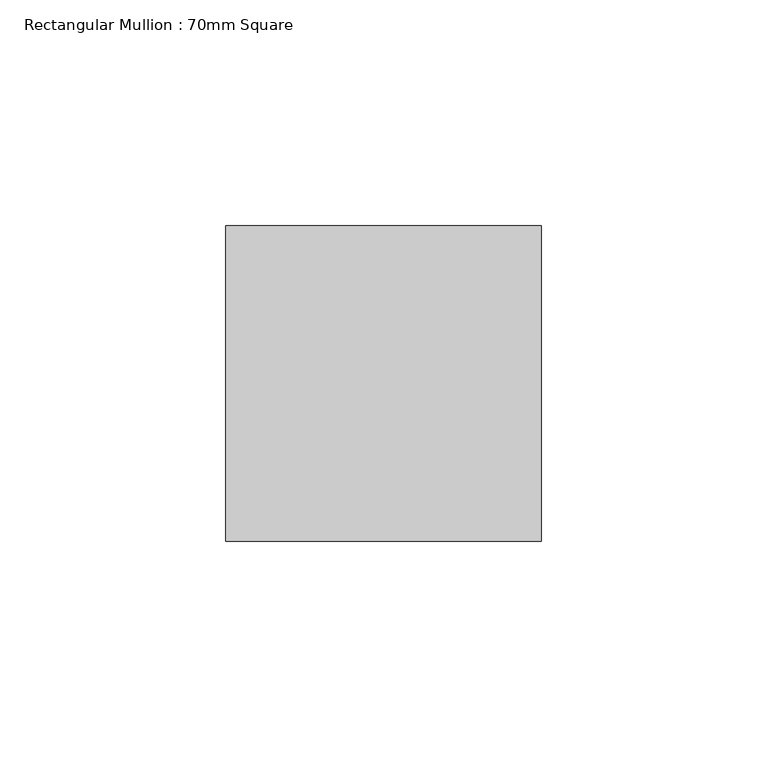
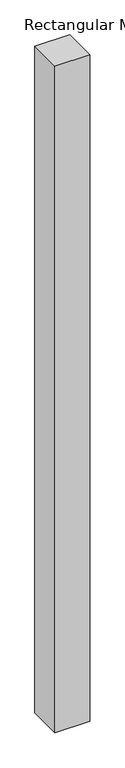
"""IFC4 building model written with IfcOpenShell, lengths in millimetres: member geometry, Rectangular Mullion : 70mm Square."""

from ifc_helpers import new_model, si_unit, frame, origin, place, context, project, spatial, polyline, outline, extrude, source, transform, mapped, element, save


def rectangular_mullion_70mm_square_7f1b9348(model_context):
    return source(origin(), model_context, "Body", "SweptSolid", [
        extrude(outline(polyline([(0.0, 35.0), (0.0, -35.0), (-70.0, -35.0), (-70.0, 35.0), (0.0, 35.0)])), frame((0.0, 0.0, -1419.9775527), z_axis=(0.0, 0.0, 1.0), x_axis=(1.0, 0.0, 0.0)), (0.0, 0.0, 1.0), 1419.9775527),
    ])


if __name__ == "__main__":
    model = new_model("IFC4")
    model_context = context("Model", 3, world=origin())
    ifc_project = project(units=[si_unit("LENGTHUNIT", "METRE", prefix="MILLI")], contexts=[model_context])
    site = spatial("IfcSite", under=ifc_project)
    building = spatial("IfcBuilding", under=site)
    placement = place(None, origin())
    rectangular_mullion_70mm_square_shape = rectangular_mullion_70mm_square_7f1b9348(model_context)
    element("IfcMember", 1, ObjectType="Rectangular Mullion : 70mm Square", at=placement, inside=building, context=model_context, shape_type="MappedRepresentation", body=[
        mapped(rectangular_mullion_70mm_square_shape, transform((0.0, 0.0, 0.0), x_axis=(1.0, 0.0, 0.0), y_axis=(0.0, 1.0, 0.0), z_axis=(0.0, 0.0, 1.0))),
    ])
    save(model, "model.ifc")
